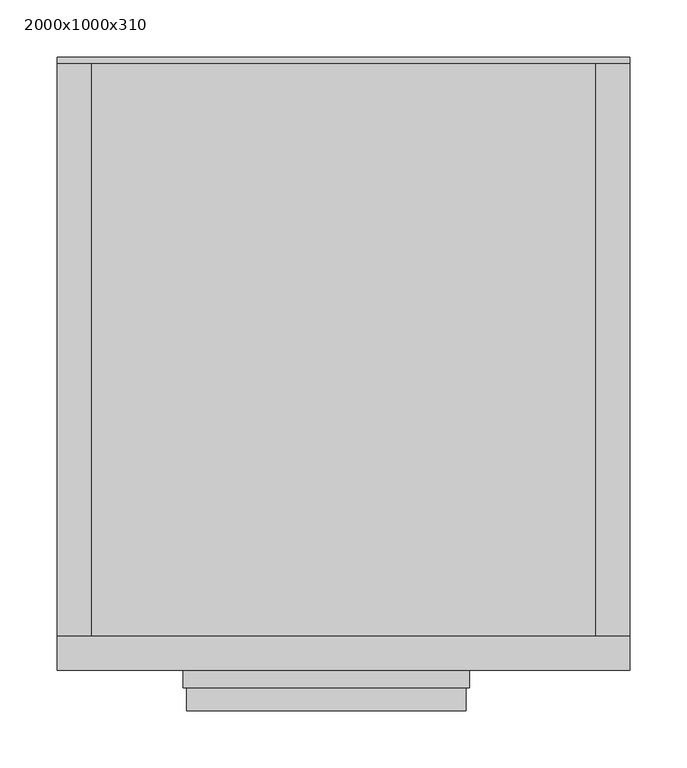
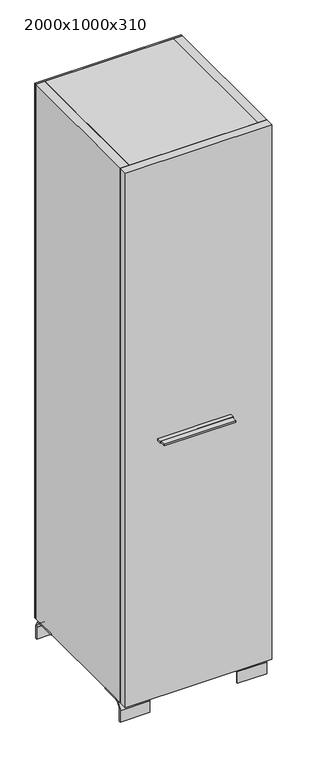
"""IFC4 building model written with IfcOpenShell, lengths in millimetres: furniture geometry, 2000x1000x310."""

from ifc_helpers import new_model, si_unit, point, frame, frame_2d, origin, place, context, project, spatial, polyline, circle_curve, trimmed, segment, composite_curve, outline, extrude, source, transform, mapped, element, save


def furniture_2000x1000x310_e28a2208(model_context):
    return source(origin(), model_context, "Body", "SweptSolid", [
        extrude(outline(polyline([(142.0, -65.0), (-102.0, -65.0), (-102.0, -30.0), (142.0, -30.0), (142.0, -65.0)])), frame((0.0, 0.0, 997.5), z_axis=(0.0, 0.0, 1.0), x_axis=(1.0, 0.0, 0.0)), (0.0, 0.0, 1.0), 5.0),
        extrude(outline(polyline([(145.0, -45.0), (-105.0, -45.0), (-105.0, -30.0), (145.0, -30.0), (145.0, -45.0)])), frame((0.0, 0.0, 996.5), z_axis=(0.0, 0.0, 1.0), x_axis=(1.0, 0.0, 0.0)), (0.0, 0.0, 1.0), 7.0),
        extrude(outline(composite_curve([segment(trimmed(circle_curve(frame_2d((471.7157288, 41.7157288)), 28.2842712), [point((471.7157288, 70.0))], [point((500.0, 41.7157288))], False, "CARTESIAN"), True, "CONTINUOUS"), segment(polyline([(500.0, 41.7157288), (500.0, 0.0), (495.0, 0.0), (495.0, 41.7157288)]), True, "CONTINUOUS"), segment(trimmed(circle_curve(frame_2d((471.7157288, 41.7157288)), 23.2842712), [point((495.0, 41.7157288))], [point((471.7157288, 65.0))], True, "CARTESIAN"), True, "CONTINUOUS"), segment(polyline([(471.7157288, 65.0), (409.6798575, 65.0), (409.6798575, 70.0), (471.7157288, 70.0)]), True, "CONTINUOUS")], self_intersect=False)), frame((185.0, 0.0, 0.0), z_axis=(1.0, 0.0, 0.0), x_axis=(0.0, 1.0, 0.0)), (0.0, 0.0, 1.0), 100.0),
        extrude(outline(composite_curve([segment(trimmed(circle_curve(frame_2d((471.7157288, 41.7157288)), 28.2842712), [point((471.7157288, 70.0))], [point((500.0, 41.7157288))], False, "CARTESIAN"), True, "CONTINUOUS"), segment(polyline([(500.0, 41.7157288), (500.0, 0.0), (495.0, 0.0), (495.0, 41.7157288)]), True, "CONTINUOUS"), segment(trimmed(circle_curve(frame_2d((471.7157288, 41.7157288)), 23.2842712), [point((495.0, 41.7157288))], [point((471.7157288, 65.0))], True, "CARTESIAN"), True, "CONTINUOUS"), segment(polyline([(471.7157288, 65.0), (409.6798575, 65.0), (409.6798575, 70.0), (471.7157288, 70.0)]), True, "CONTINUOUS")], self_intersect=False)), frame((-215.0, 0.0, 0.0), z_axis=(1.0, 0.0, 0.0), x_axis=(0.0, 1.0, 0.0)), (0.0, 0.0, 1.0), 100.0),
        extrude(outline(composite_curve([segment(polyline([(28.2842712, 70.0), (90.3201425, 70.0), (90.3201425, 65.0), (28.2842712, 65.0)]), True, "CONTINUOUS"), segment(trimmed(circle_curve(frame_2d((28.2842712, 41.7157288)), 23.2842712), [point((28.2842712, 65.0))], [point((5.0, 41.7157288))], True, "CARTESIAN"), True, "CONTINUOUS"), segment(polyline([(5.0, 41.7157288), (5.0, 0.0), (0.0, 0.0), (0.0, 41.7157288)]), True, "CONTINUOUS"), segment(trimmed(circle_curve(frame_2d((28.2842712, 41.7157288)), 28.2842712), [point((0.0, 41.7157288))], [point((28.2842712, 70.0))], False, "CARTESIAN"), True, "CONTINUOUS")], self_intersect=False)), frame((185.0, 0.0, 0.0), z_axis=(1.0, 0.0, 0.0), x_axis=(0.0, 1.0, 0.0)), (0.0, 0.0, 1.0), 100.0),
        extrude(outline(composite_curve([segment(polyline([(28.2842712, 70.0), (90.3201425, 70.0), (90.3201425, 65.0), (28.2842712, 65.0)]), True, "CONTINUOUS"), segment(trimmed(circle_curve(frame_2d((28.2842712, 41.7157288)), 23.2842712), [point((28.2842712, 65.0))], [point((5.0, 41.7157288))], True, "CARTESIAN"), True, "CONTINUOUS"), segment(polyline([(5.0, 41.7157288), (5.0, 0.0), (0.0, 0.0), (0.0, 41.7157288)]), True, "CONTINUOUS"), segment(trimmed(circle_curve(frame_2d((28.2842712, 41.7157288)), 28.2842712), [point((0.0, 41.7157288))], [point((28.2842712, 70.0))], False, "CARTESIAN"), True, "CONTINUOUS")], self_intersect=False)), frame((-215.0, 0.0, 0.0), z_axis=(1.0, 0.0, 0.0), x_axis=(0.0, 1.0, 0.0)), (0.0, 0.0, 1.0), 100.0),
        extrude(outline(polyline([(-215.0, 505.0), (285.0, 505.0), (285.0, 500.0), (-215.0, 500.0), (-215.0, 505.0)])), frame((0.0, 0.0, 70.0), z_axis=(0.0, 0.0, 1.0), x_axis=(1.0, 0.0, 0.0)), (0.0, 0.0, 1.0), 1930.0),
        extrude(outline(polyline([(255.0, 0.0), (-185.0, 0.0), (-185.0, 500.0), (255.0, 500.0), (255.0, 0.0)])), frame((0.0, 0.0, 456.0), z_axis=(0.0, 0.0, 1.0), x_axis=(1.0, 0.0, 0.0)), (0.0, 0.0, 1.0), 20.0),
        extrude(outline(polyline([(255.0, 0.0), (-185.0, 0.0), (-185.0, 500.0), (255.0, 500.0), (255.0, 0.0)])), frame((0.0, 0.0, 842.0), z_axis=(0.0, 0.0, 1.0), x_axis=(1.0, 0.0, 0.0)), (0.0, 0.0, 1.0), 20.0),
        extrude(outline(polyline([(255.0, 0.0), (-185.0, 0.0), (-185.0, 500.0), (255.0, 500.0), (255.0, 0.0)])), frame((0.0, 0.0, 1228.0), z_axis=(0.0, 0.0, 1.0), x_axis=(1.0, 0.0, 0.0)), (0.0, 0.0, 1.0), 20.0),
        extrude(outline(polyline([(255.0, 0.0), (-185.0, 0.0), (-185.0, 500.0), (255.0, 500.0), (255.0, 0.0)])), frame((0.0, 0.0, 1594.0), z_axis=(0.0, 0.0, 1.0), x_axis=(1.0, 0.0, 0.0)), (0.0, 0.0, 1.0), 20.0),
        extrude(outline(polyline([(255.0, 0.0), (-185.0, 0.0), (-185.0, 500.0), (255.0, 500.0), (255.0, 0.0)])), frame((0.0, 0.0, 70.0), z_axis=(0.0, 0.0, 1.0), x_axis=(1.0, 0.0, 0.0)), (0.0, 0.0, 1.0), 30.0),
        extrude(outline(polyline([(255.0, 0.0), (-185.0, 0.0), (-185.0, 500.0), (255.0, 500.0), (255.0, 0.0)])), frame((0.0, 0.0, 1970.0), z_axis=(0.0, 0.0, 1.0), x_axis=(1.0, 0.0, 0.0)), (0.0, 0.0, 1.0), 30.0),
        extrude(outline(polyline([(285.0, 0.0), (255.0, 0.0), (255.0, 500.0), (285.0, 500.0), (285.0, 0.0)])), frame((0.0, 0.0, 70.0), z_axis=(0.0, 0.0, 1.0), x_axis=(1.0, 0.0, 0.0)), (0.0, 0.0, 1.0), 1930.0),
        extrude(outline(polyline([(-185.0, 0.0), (-215.0, 0.0), (-215.0, 500.0), (-185.0, 500.0), (-185.0, 0.0)])), frame((0.0, 0.0, 70.0), z_axis=(0.0, 0.0, 1.0), x_axis=(1.0, 0.0, 0.0)), (0.0, 0.0, 1.0), 1930.0),
        extrude(outline(polyline([(285.0, 0.0), (285.0, -30.0), (-215.0, -30.0), (-215.0, 0.0), (285.0, 0.0)])), frame((0.0, 0.0, 70.0), z_axis=(0.0, 0.0, 1.0), x_axis=(1.0, 0.0, 0.0)), (0.0, 0.0, 1.0), 1930.0),
    ])


if __name__ == "__main__":
    model = new_model("IFC4")
    model_context = context("Model", 3, world=origin())
    ifc_project = project(units=[si_unit("LENGTHUNIT", "METRE", prefix="MILLI")], contexts=[model_context])
    site = spatial("IfcSite", under=ifc_project)
    building = spatial("IfcBuilding", under=site)
    placement = place(None, origin())
    furniture_2000x1000x310_shape = furniture_2000x1000x310_e28a2208(model_context)
    element("IfcFurniture", 1, ObjectType="2000x1000x310", at=placement, inside=building, context=model_context, shape_type="MappedRepresentation", body=[
        mapped(furniture_2000x1000x310_shape, transform((0.0, 0.0, 0.0), x_axis=(1.0, 0.0, 0.0), y_axis=(0.0, 1.0, 0.0), z_axis=(0.0, 0.0, 1.0))),
    ])
    save(model, "model.ifc")
